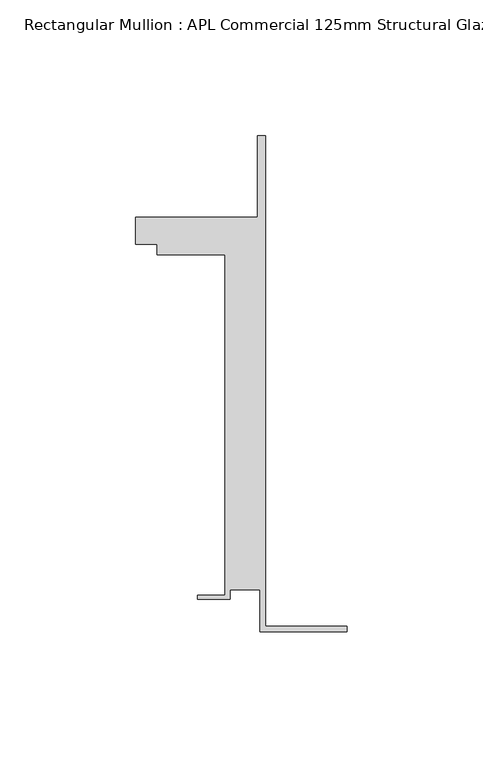
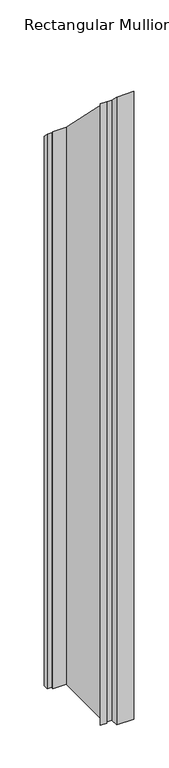
"""IFC4 building model written with IfcOpenShell, lengths in millimetres: member geometry, Rectangular Mullion : APL Commercial 125mm Structural Glaze SubSill."""

from ifc_helpers import new_model, si_unit, origin, place, context, project, spatial, faceted_brep, source, transform, mapped, element, save


def rectangular_mullion_apl_commercial_125mm_structural_glaze_27b2f7ce(model_context):
    return source(origin(), model_context, "Body", "Brep", [
        faceted_brep([(-32.1465839, -41.25, -1190.8187208), (-32.1465839, -25.75, -1190.8187208), (-43.1465839, -25.75, -1190.8187208), (-43.1465839, -29.25, -1190.8187208), (-55.1465839, -29.25, -1190.8187208), (-55.1465839, -27.75, -1190.8187208), (-45.1465839, -27.75, -1190.8187208), (-45.1465839, 97.75, -1190.8187208), (-70.1466122, 97.75, -1190.8187208), (-70.1466122, 101.75, -1190.8187208), (-78.1466122, 101.75, -1190.8187208), (-78.1466122, 111.75, -1190.8187208), (-33.1466122, 111.75, -1190.8187208), (-33.1466122, 141.75, -1190.8187208), (-30.1465839, 141.75, -1190.8187208), (-30.1465839, -39.25, -1190.8187208), (0.0, -39.25, -1190.8187208), (0.0, -41.25, -1190.8187208), (0.0, -41.25, 41.25), (-32.1465839, -41.25, 41.25), (0.0, -39.25, 39.25), (-30.1465839, -39.25, 39.25), (-30.1465839, 141.75, -141.75), (-33.1466122, 141.75, -141.75), (-33.1466122, 111.75, -111.75), (-78.1466122, 111.75, -111.75), (-78.1466122, 101.75, -101.75), (-70.1466122, 101.75, -101.75), (-70.1466122, 97.75, -97.75), (-45.1465839, 97.75, -97.75), (-45.1465839, -27.75, 27.75), (-55.1465839, -27.75, 27.75), (-55.1465839, -29.25, 29.25), (-43.1465839, -29.25, 29.25), (-43.1465839, -25.75, 25.75), (-32.1465839, -25.75, 25.75)], [[[0, 1, 2, 3, 4, 5, 6, 7, 8, 9, 10, 11, 12, 13, 14, 15, 16, 17]], [[18, 19, 0, 17]], [[20, 18, 17, 16]], [[21, 20, 16, 15]], [[22, 21, 15, 14]], [[23, 22, 14, 13]], [[24, 23, 13, 12]], [[25, 24, 12, 11]], [[26, 25, 11, 10]], [[27, 26, 10, 9]], [[28, 27, 9, 8]], [[29, 28, 8, 7]], [[30, 29, 7, 6]], [[31, 30, 6, 5]], [[32, 31, 5, 4]], [[33, 32, 4, 3]], [[34, 33, 3, 2]], [[35, 34, 2, 1]], [[19, 35, 1, 0]], [[19, 18, 20, 21, 22, 23, 24, 25, 26, 27, 28, 29, 30, 31, 32, 33, 34, 35]]]),
    ])


if __name__ == "__main__":
    model = new_model("IFC4")
    model_context = context("Model", 3, world=origin())
    ifc_project = project(units=[si_unit("LENGTHUNIT", "METRE", prefix="MILLI")], contexts=[model_context])
    site = spatial("IfcSite", under=ifc_project)
    building = spatial("IfcBuilding", under=site)
    placement = place(None, origin())
    rectangular_mullion_apl_commercial_125mm_structural_glaze_shape = rectangular_mullion_apl_commercial_125mm_structural_glaze_27b2f7ce(model_context)
    element("IfcMember", 1, ObjectType="Rectangular Mullion : APL Commercial 125mm Structural Glaze SubSill", at=placement, inside=building, context=model_context, shape_type="MappedRepresentation", body=[
        mapped(rectangular_mullion_apl_commercial_125mm_structural_glaze_shape, transform((0.0, 0.0, 0.0), x_axis=(1.0, 0.0, 0.0), y_axis=(0.0, 1.0, 0.0), z_axis=(0.0, 0.0, 1.0))),
    ])
    save(model, "model.ifc")
